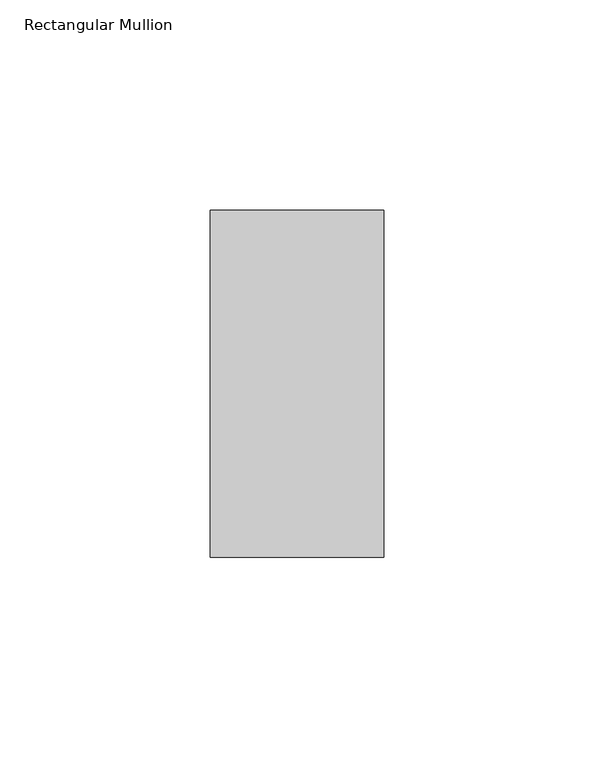
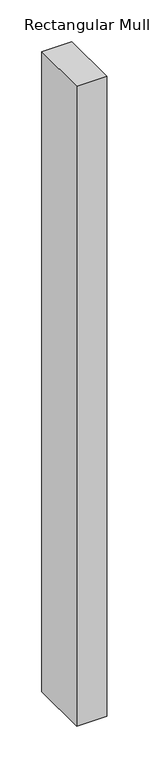
"""IFC4 building model written with IfcOpenShell, lengths in millimetres: member geometry, Rectangular Mullion."""

from ifc_helpers import new_model, si_unit, frame, origin, place, context, project, spatial, polyline, outline, extrude, source, transform, mapped, element, save


def rectangular_mullion_b3d13dcf(model_context):
    return source(origin(), model_context, "Body", "SweptSolid", [
        extrude(outline(polyline([(0.0, -73.025), (-41.275, -73.025), (-41.275, 9.525), (0.0, 9.525), (0.0, -73.025)])), frame((0.0, 0.0, -930.275), z_axis=(0.0, 0.0, 1.0), x_axis=(1.0, 0.0, 0.0)), (0.0, 0.0, 1.0), 930.275),
    ])


if __name__ == "__main__":
    model = new_model("IFC4")
    model_context = context("Model", 3, world=origin())
    ifc_project = project(units=[si_unit("LENGTHUNIT", "METRE", prefix="MILLI")], contexts=[model_context])
    site = spatial("IfcSite", under=ifc_project)
    building = spatial("IfcBuilding", under=site)
    placement = place(None, origin())
    rectangular_mullion_shape = rectangular_mullion_b3d13dcf(model_context)
    element("IfcMember", 1, ObjectType="Rectangular Mullion", at=placement, inside=building, context=model_context, shape_type="MappedRepresentation", body=[
        mapped(rectangular_mullion_shape, transform((0.0, 0.0, 0.0), x_axis=(1.0, 0.0, 0.0), y_axis=(0.0, 1.0, 0.0), z_axis=(0.0, 0.0, 1.0))),
    ])
    save(model, "model.ifc")
